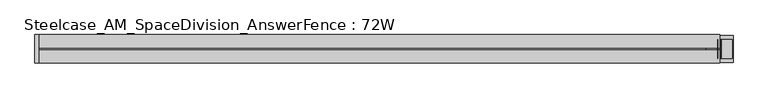
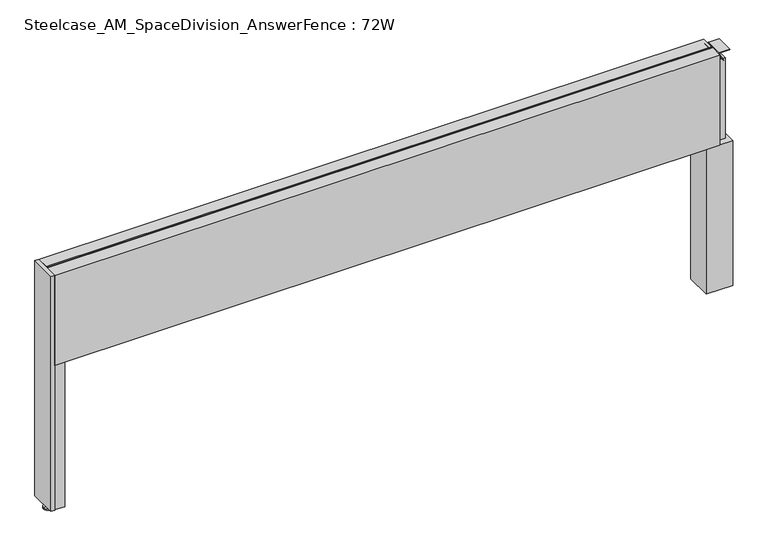
"""IFC4 building model written with IfcOpenShell, lengths in millimetres: furniture geometry, Steelcase_AM_SpaceDivision_AnswerFence : 72W."""

from ifc_helpers import new_model, si_unit, point, frame, frame_2d, origin, place, context, project, spatial, polyline, circle_curve, trimmed, segment, composite_curve, outline, extrude, source, transform, mapped, element, save
from ifc_brep_helpers import plane_surface, cylinder_surface, revolved_surface, advanced_brep


def steelcase_am_spacedivision_answerfence_72w_63361044(model_context):
    return source(origin(), model_context, "Body", "SolidModel", [
        advanced_brep(
        [(1798.0140299, -7.4168014, -3.29e-05), (1772.5630726, -7.4168014, -3.29e-05), (1785.2885512, -7.4168014, -3.29e-05), (1798.0140299, -7.4168014, 2.446593), (1772.5630726, -7.4168014, 2.446593), (1790.2434775, -7.4168014, 4.8561413), (1780.333625, -7.4168014, 4.8561413), (1789.1612872, -7.4168014, 4.8561413), (1781.4158153, -7.4168014, 4.8561413), (1789.1612872, -7.4168014, 15.4939671), (1781.4158153, -7.4168014, 15.4939671), (1785.2885512, -7.4168014, 15.4939671)],
        [
            (0, 1, circle_curve(frame((1785.2885512, -7.4168014, -3.29e-05), z_axis=(0.0, 0.0, -1.0), x_axis=(-1.0, 0.0, 0.0)), 12.7254787)),
            (1, 2),
            (2, 0),
            (1, 0, circle_curve(frame((1785.2885512, -7.4168014, -3.29e-05), z_axis=(0.0, 0.0, -1.0), x_axis=(-1.0, 0.0, 0.0)), 12.7254787)),
            (3, 4, circle_curve(frame((1785.2885512, -7.4168014, 2.446593), z_axis=(0.0, 0.0, -1.0), x_axis=(-1.0, 0.0, 0.0)), 12.7254787)),
            (4, 1),
            (0, 3),
            (4, 3, circle_curve(frame((1785.2885512, -7.4168014, 2.446593), z_axis=(0.0, 0.0, -1.0), x_axis=(-1.0, 0.0, 0.0)), 12.7254787)),
            (5, 6, circle_curve(frame((1785.2885512, -7.4168014, 4.8561413), z_axis=(0.0, 0.0, -1.0), x_axis=(-1.0, 0.0, 0.0)), 4.9549262)),
            (6, 4),
            (3, 5),
            (6, 5, circle_curve(frame((1785.2885512, -7.4168014, 4.8561413), z_axis=(0.0, 0.0, -1.0), x_axis=(-1.0, 0.0, 0.0)), 4.9549262)),
            (7, 8, circle_curve(frame((1785.2885512, -7.4168014, 4.8561413), z_axis=(0.0, 0.0, -1.0), x_axis=(-1.0, 0.0, 0.0)), 3.8727359)),
            (8, 6),
            (5, 7),
            (8, 7, circle_curve(frame((1785.2885512, -7.4168014, 4.8561413), z_axis=(0.0, 0.0, -1.0), x_axis=(-1.0, 0.0, 0.0)), 3.8727359)),
            (9, 10, circle_curve(frame((1785.2885512, -7.4168014, 15.4939671), z_axis=(0.0, 0.0, -1.0), x_axis=(-1.0, 0.0, 0.0)), 3.8727359)),
            (10, 8),
            (7, 9),
            (10, 9, circle_curve(frame((1785.2885512, -7.4168014, 15.4939671), z_axis=(0.0, 0.0, -1.0), x_axis=(-1.0, 0.0, 0.0)), 3.8727359)),
            (11, 10),
            (9, 11),
        ],
        [
            plane_surface(frame((1785.2885512, -7.4168014, -3.29e-05), z_axis=(0.0, 0.0, -1.0), x_axis=(-1.0, 0.0, 0.0))),
            cylinder_surface(frame((1785.2885512, -7.4168014, -1.135133), z_axis=(0.0, 0.0, 1.0), x_axis=(-1.0, 0.0, 0.0)), 12.7254787),
            revolved_surface(polyline([(1772.5630726, -7.4168014, 2.446593), (1780.333625, -7.4168014, 4.8561413)]), (1785.2885512, -7.4168014, -1.135133), (0.0, 0.0, 1.0)),
            plane_surface(frame((1785.2885512, -7.4168014, 4.8561413), z_axis=(0.0, 0.0, 1.0), x_axis=(-1.0, 0.0, 0.0))),
            cylinder_surface(frame((1785.2885512, -7.4168014, -1.135133), z_axis=(0.0, 0.0, 1.0), x_axis=(-1.0, 0.0, 0.0)), 3.8727359),
            plane_surface(frame((1785.2885512, -7.4168014, 15.4939671), z_axis=(0.0, 0.0, 1.0), x_axis=(-1.0, 0.0, 0.0))),
        ],
        [
            (0, [[1, 2, 3]]),
            (0, [[4, -3, -2]]),
            (1, [[5, 6, -1, 7]]),
            (1, [[8, -7, -4, -6]]),
            (2, [[9, 10, -5, 11]]),
            (2, [[12, -11, -8, -10]]),
            (3, [[13, 14, -9, 15]]),
            (3, [[16, -15, -12, -14]]),
            (4, [[17, 18, -13, 19]]),
            (4, [[20, -19, -16, -18]]),
            (5, [[21, -17, 22]]),
            (5, [[-22, -20, -21]]),
        ],
    ),
        extrude(outline(polyline([(1825.0153999, 28.9756526), (1825.0153999, -43.7191471), (1752.3206001, -43.7191471), (1752.3206001, 28.9756526), (1825.0153999, 28.9756526)])), frame((0.0, 0.0, 15.4939671), z_axis=(0.0, 0.0, 1.0), x_axis=(1.0, 0.0, 0.0)), (0.0, 0.0, 1.0), 420.9763759),
        extrude(outline(composite_curve([segment(polyline([(694.8271015, 1753.5942703), (694.8271015, 1782.4823183)]), True, "CONTINUOUS"), segment(trimmed(circle_curve(frame_2d((693.8373834, 1782.4823183)), 0.9897181), [point((694.8271015, 1782.4823183))], [point((693.3575585, 1783.3479452))], True, "CARTESIAN"), True, "CONTINUOUS"), segment(polyline([(693.3575585, 1783.3479452), (670.7684479, 1770.8265967), (670.3405135, 1771.5983685), (693.0018984, 1784.1637221)]), True, "CONTINUOUS"), segment(trimmed(circle_curve(frame_2d((693.8919079, 1782.5586063)), 1.8353511), [point((693.0018984, 1784.1637221))], [point((695.7272589, 1782.5586063))], False, "CARTESIAN"), True, "CONTINUOUS"), segment(polyline([(695.7272589, 1782.5586063), (695.7272589, 1753.5942703), (694.8271015, 1753.5942703)]), True, "CONTINUOUS")], self_intersect=False)), frame((0.0, -33.0896971, 0.0), z_axis=(0.0, 1.0, 0.0), x_axis=(0.0, 0.0, 1.0)), (0.0, 0.0, 1.0), 50.8000666),
        extrude(outline(composite_curve([segment(polyline([(694.8271015, 1823.3448547), (695.7272589, 1823.3448547), (695.7272589, 1794.3805187)]), True, "CONTINUOUS"), segment(trimmed(circle_curve(frame_2d((693.8919079, 1794.3805187)), 1.8353511), [point((695.7272589, 1794.3805187))], [point((693.0018984, 1792.7754029))], False, "CARTESIAN"), True, "CONTINUOUS"), segment(polyline([(693.0018984, 1792.7754029), (670.3405135, 1805.3407565), (670.7684479, 1806.1125283), (693.3575585, 1793.5911798)]), True, "CONTINUOUS"), segment(trimmed(circle_curve(frame_2d((693.8373834, 1794.4568067)), 0.9897181), [point((693.3575585, 1793.5911798))], [point((694.8271015, 1794.4568067))], True, "CARTESIAN"), True, "CONTINUOUS"), segment(polyline([(694.8271015, 1794.4568067), (694.8271015, 1823.3448547)]), True, "CONTINUOUS")], self_intersect=False)), frame((0.0, -33.0896971, 0.0), z_axis=(0.0, 1.0, 0.0), x_axis=(0.0, 0.0, 1.0)), (0.0, 0.0, 1.0), 50.8000666),
        extrude(outline(polyline([(1813.9938496, 11.3543833), (1813.9938496, -26.7337081), (1763.1938496, -26.7337081), (1763.1938496, 11.3543833), (1813.9938496, 11.3543833)])), frame((0.0, 0.0, 436.470343), z_axis=(0.0, 0.0, 1.0), x_axis=(1.0, 0.0, 0.0)), (0.0, 0.0, 1.0), 233.7346385),
        advanced_brep(
        [(-47.4460299, -7.4168014, -3.29e-05), (-21.9950726, -7.4168014, -3.29e-05), (-34.7205512, -7.4168014, -3.29e-05), (-47.4460299, -7.4168014, 2.446593), (-21.9950726, -7.4168014, 2.446593), (-39.6754775, -7.4168014, 4.8561413), (-29.765625, -7.4168014, 4.8561413), (-38.5932872, -7.4168014, 4.8561413), (-30.8478153, -7.4168014, 4.8561413), (-38.5932872, -7.4168014, 15.4939671), (-30.8478153, -7.4168014, 15.4939671), (-34.7205512, -7.4168014, 15.4939671)],
        [
            (0, 1, circle_curve(frame((-34.7205512, -7.4168014, -3.29e-05), z_axis=(0.0, 0.0, -1.0), x_axis=(1.0, 0.0, 0.0)), 12.7254787)),
            (1, 2),
            (2, 0),
            (1, 0, circle_curve(frame((-34.7205512, -7.4168014, -3.29e-05), z_axis=(0.0, 0.0, -1.0), x_axis=(1.0, 0.0, 0.0)), 12.7254787)),
            (3, 4, circle_curve(frame((-34.7205512, -7.4168014, 2.446593), z_axis=(0.0, 0.0, -1.0), x_axis=(1.0, 0.0, 0.0)), 12.7254787)),
            (4, 1),
            (0, 3),
            (4, 3, circle_curve(frame((-34.7205512, -7.4168014, 2.446593), z_axis=(0.0, 0.0, -1.0), x_axis=(1.0, 0.0, 0.0)), 12.7254787)),
            (5, 6, circle_curve(frame((-34.7205512, -7.4168014, 4.8561413), z_axis=(0.0, 0.0, -1.0), x_axis=(1.0, 0.0, 0.0)), 4.9549262)),
            (6, 4),
            (3, 5),
            (6, 5, circle_curve(frame((-34.7205512, -7.4168014, 4.8561413), z_axis=(0.0, 0.0, -1.0), x_axis=(1.0, 0.0, 0.0)), 4.9549262)),
            (7, 8, circle_curve(frame((-34.7205512, -7.4168014, 4.8561413), z_axis=(0.0, 0.0, -1.0), x_axis=(1.0, 0.0, 0.0)), 3.8727359)),
            (8, 6),
            (5, 7),
            (8, 7, circle_curve(frame((-34.7205512, -7.4168014, 4.8561413), z_axis=(0.0, 0.0, -1.0), x_axis=(1.0, 0.0, 0.0)), 3.8727359)),
            (9, 10, circle_curve(frame((-34.7205512, -7.4168014, 15.4939671), z_axis=(0.0, 0.0, -1.0), x_axis=(1.0, 0.0, 0.0)), 3.8727359)),
            (10, 8),
            (7, 9),
            (10, 9, circle_curve(frame((-34.7205512, -7.4168014, 15.4939671), z_axis=(0.0, 0.0, -1.0), x_axis=(1.0, 0.0, 0.0)), 3.8727359)),
            (11, 10),
            (9, 11),
        ],
        [
            plane_surface(frame((-34.7205512, -7.4168014, -3.29e-05), z_axis=(0.0, 0.0, -1.0), x_axis=(1.0, 0.0, 0.0))),
            cylinder_surface(frame((-34.7205512, -7.4168014, -1.135133), z_axis=(0.0, 0.0, 1.0), x_axis=(1.0, 0.0, 0.0)), 12.7254787),
            revolved_surface(polyline([(-21.9950726, -7.4168014, 2.446593), (-29.765625, -7.4168014, 4.8561413)]), (-34.7205512, -7.4168014, -1.135133), (0.0, 0.0, 1.0)),
            plane_surface(frame((-34.7205512, -7.4168014, 4.8561413), z_axis=(0.0, 0.0, 1.0), x_axis=(1.0, 0.0, 0.0))),
            cylinder_surface(frame((-34.7205512, -7.4168014, -1.135133), z_axis=(0.0, 0.0, 1.0), x_axis=(1.0, 0.0, 0.0)), 3.8727359),
            plane_surface(frame((-34.7205512, -7.4168014, 15.4939671), z_axis=(0.0, 0.0, 1.0), x_axis=(1.0, 0.0, 0.0))),
        ],
        [
            (0, [[1, 2, 3]]),
            (0, [[4, -3, -2]]),
            (1, [[5, 6, -1, 7]]),
            (1, [[8, -7, -4, -6]]),
            (2, [[9, 10, -5, 11]]),
            (2, [[12, -11, -8, -10]]),
            (3, [[13, 14, -9, 15]]),
            (3, [[16, -15, -12, -14]]),
            (4, [[17, 18, -13, 19]]),
            (4, [[20, -19, -16, -18]]),
            (5, [[21, -17, 22]]),
            (5, [[-22, -20, -21]]),
        ],
    ),
        extrude(outline(polyline([(-9.935178, -43.8092555), (-38.0832543, -43.8092555), (-38.0832543, -32.7724836), (-20.8608215, -32.7724836), (-20.8608215, 18.0275164), (-38.0701573, 18.0275164), (-38.0701573, 28.8855443), (-9.935178, 28.8855443), (-9.935178, -43.8092555)])), frame((0.0, 0.0, 15.4939671), z_axis=(0.0, 0.0, 1.0), x_axis=(1.0, 0.0, 0.0)), (0.0, 0.0, 1.0), 420.9763759),
        extrude(outline(polyline([(-48.2664464, -45.5635028), (-48.2664464, 30.7299), (-38.1, 30.7299), (-38.1, -45.5635028), (-48.2664464, -45.5635028)])), frame((0.0, 0.0, 15.4939671), z_axis=(0.0, 0.0, 1.0), x_axis=(1.0, 0.0, 0.0)), (0.0, 0.0, 1.0), 683.006),
        extrude(outline(polyline([(30.6507456, 698.5), (30.6507456, 436.470343), (-45.5168014, 436.470343), (-45.5168014, 698.5), (-10.7419756, 698.5), (-10.7419756, 695.721875), (-4.4428302, 695.721875), (-4.4428302, 698.5), (30.6507456, 698.5)])), frame((-38.1, 0.0, 0.0), z_axis=(1.0, 0.0, 0.0), x_axis=(0.0, 1.0, 0.0)), (0.0, 0.0, 1.0), 1826.768),
    ])


if __name__ == "__main__":
    model = new_model("IFC4")
    model_context = context("Model", 3, world=origin())
    ifc_project = project(units=[si_unit("LENGTHUNIT", "METRE", prefix="MILLI")], contexts=[model_context])
    site = spatial("IfcSite", under=ifc_project)
    building = spatial("IfcBuilding", under=site)
    placement = place(None, origin())
    steelcase_am_spacedivision_answerfence_72w_shape = steelcase_am_spacedivision_answerfence_72w_63361044(model_context)
    element("IfcFurniture", 1, ObjectType="Steelcase_AM_SpaceDivision_AnswerFence : 72W", at=placement, inside=building, context=model_context, shape_type="MappedRepresentation", body=[
        mapped(steelcase_am_spacedivision_answerfence_72w_shape, transform((0.0, 0.0, 0.0), x_axis=(1.0, 0.0, 0.0), y_axis=(0.0, 1.0, 0.0), z_axis=(0.0, 0.0, 1.0))),
    ])
    save(model, "model.ifc")
